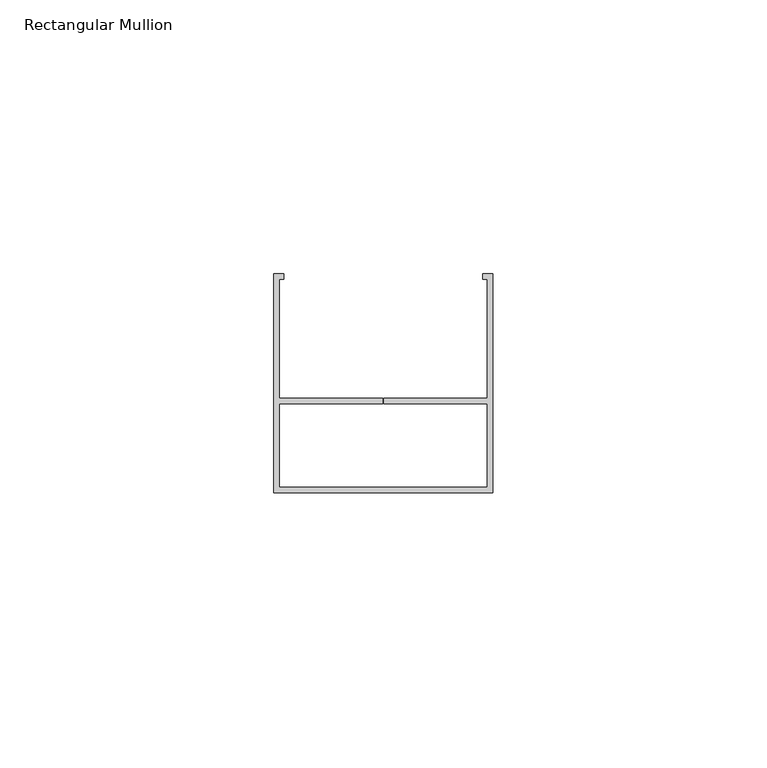
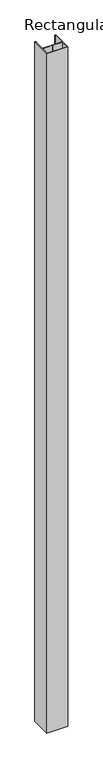
"""IFC4 building model written with IfcOpenShell, lengths in millimetres: member geometry, Rectangular Mullion."""

from ifc_helpers import new_model, si_unit, frame, origin, place, context, project, spatial, polyline, outline, extrude, source, transform, mapped, element, save


def rectangular_mullion_d697033f(model_context):
    return source(origin(), model_context, "Body", "SweptSolid", [
        extrude(outline(polyline([(-20.0, -20.0), (-20.0, 20.0), (-18.1456638, 20.0), (-18.1456638, 19.0), (-19.0, 19.0), (-19.0, -2.6912936), (-0.0934793, -2.6912936), (-0.0934793, -3.6912936), (-19.0, -3.6912936), (-19.0, -19.0), (19.0, -19.0), (19.0, -3.6912936), (0.0940207, -3.6912936), (0.0940207, -2.6912936), (19.0, -2.6912936), (19.0, 19.0), (18.121247, 19.0), (18.121247, 20.0), (20.0, 20.0), (20.0, -20.0), (-20.0, -20.0)])), frame((0.0, 0.0, -1374.4097886), z_axis=(0.0, 0.0, 1.0), x_axis=(1.0, 0.0, 0.0)), (0.0, 0.0, 1.0), 1374.4097886),
    ])


if __name__ == "__main__":
    model = new_model("IFC4")
    model_context = context("Model", 3, world=origin())
    ifc_project = project(units=[si_unit("LENGTHUNIT", "METRE", prefix="MILLI")], contexts=[model_context])
    site = spatial("IfcSite", under=ifc_project)
    building = spatial("IfcBuilding", under=site)
    placement = place(None, origin())
    rectangular_mullion_shape = rectangular_mullion_d697033f(model_context)
    element("IfcMember", 1, ObjectType="Rectangular Mullion", at=placement, inside=building, context=model_context, shape_type="MappedRepresentation", body=[
        mapped(rectangular_mullion_shape, transform((0.0, 0.0, 0.0), x_axis=(1.0, 0.0, 0.0), y_axis=(0.0, 1.0, 0.0), z_axis=(0.0, 0.0, 1.0))),
    ])
    save(model, "model.ifc")
